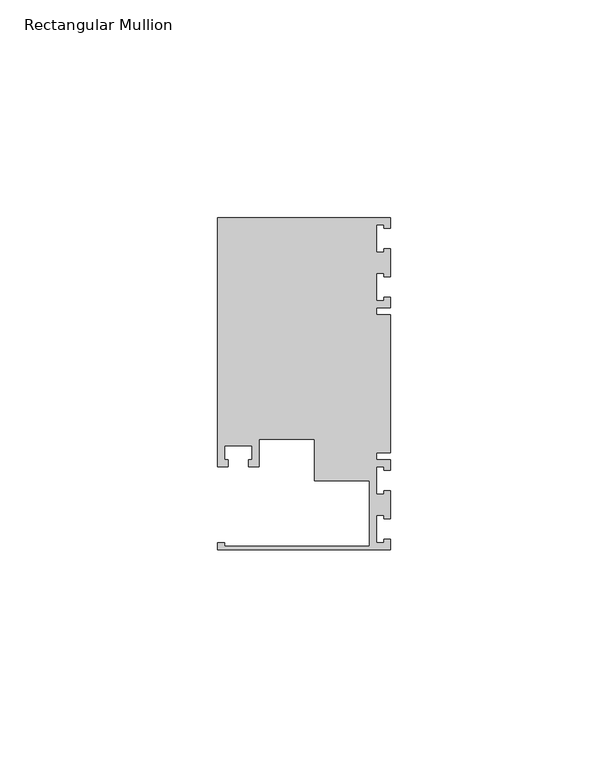
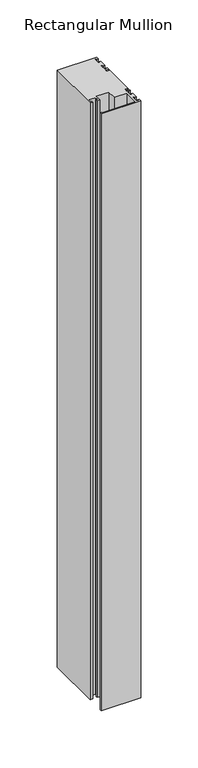
"""IFC4 building model written with IfcOpenShell, lengths in millimetres: member geometry, Rectangular Mullion."""

import ifcopenshell
import ifcopenshell.guid

model = None  # the IFC model being written
_history = None  # IfcOwnerHistory: only IFC2X3 demands one
_inside = {}  # id of a spatial element -> (the spatial element, [elements in it])
_under = {}  # id of a project, library or spatial element -> (it, [spatial elements below it])
_declared = {}  # id of a project -> (the project, [libraries it declares])
_typed = {}  # id of a type object -> (the type object, [elements of that type])
_made_of = {}  # id of a material, layer set ... -> (it, [elements and type objects made of it])


def new_model(schema):
    """Start an empty IFC model of exactly this schema.

    Asked for "IFC4X3", IfcOpenShell would pick the latest addendum, in which some entities
    have other attributes; the version numbers below select the first issue.
    IFC2X3 requires an IfcOwnerHistory on every rooted entity: one is made here for all.
    """
    global model, _history
    if schema == "IFC4X3":
        model = ifcopenshell.file(schema_version=(4, 3, 0, 0))
    else:
        model = ifcopenshell.file(schema=schema)
    _inside.clear()
    _under.clear()
    _declared.clear()
    _typed.clear()
    _made_of.clear()
    _history = None
    if model.schema == "IFC2X3":
        org = make("IfcOrganization", Name="unknown")
        user = make(
            "IfcPersonAndOrganization",
            ThePerson=make("IfcPerson", FamilyName="unknown"),
            TheOrganization=org,
        )
        app = make(
            "IfcApplication",
            ApplicationDeveloper=org,
            Version="unknown",
            ApplicationFullName="unknown",
            ApplicationIdentifier="unknown",
        )
        _history = make(
            "IfcOwnerHistory",
            OwningUser=user,
            OwningApplication=app,
            ChangeAction="ADDED",
            CreationDate=0,
        )
    return model


def make(cls, **values):
    """One entity of the class cls with the attributes given. An attribute that is None is left unset."""
    return model.create_entity(
        cls, **{name: value for name, value in values.items() if value is not None}
    )


def rooted(cls, **values):
    """An entity with a GlobalId (a new one), such as an element, a storey or a relation."""
    return make(cls, GlobalId=ifcopenshell.guid.new(), OwnerHistory=_history, **values)


def si_unit(unit_type, name, prefix=None):
    """IfcSIUnit, for example si_unit("LENGTHUNIT", "METRE", prefix="MILLI")."""
    return make("IfcSIUnit", UnitType=unit_type, Prefix=prefix, Name=name)


def assignment(units):
    """IfcUnitAssignment: the units of a project."""
    return None if units is None else make("IfcUnitAssignment", Units=units)


def point(xyz):
    """IfcCartesianPoint."""
    return None if xyz is None else make("IfcCartesianPoint", Coordinates=xyz)


def direction(xyz):
    """IfcDirection."""
    return None if xyz is None else make("IfcDirection", DirectionRatios=xyz)


def frame(location, z_axis=None, x_axis=None):
    """IfcAxis2Placement3D, a coordinate frame: its origin and axes. An axis left out is left unset."""
    return make(
        "IfcAxis2Placement3D",
        Location=point(location),
        Axis=direction(z_axis),
        RefDirection=direction(x_axis),
    )


def origin():
    """The frame at (0, 0, 0) with its axes left unset."""
    return frame((0.0, 0.0, 0.0))


def place(relative_to, where):
    """IfcLocalPlacement: puts the frame where relative to a parent placement (None: the world)."""
    return make(
        "IfcLocalPlacement", PlacementRelTo=relative_to, RelativePlacement=where
    )


def context(
    kind, dimensions, precision=None, world=None, true_north=None, identifier=None
):
    """IfcGeometricRepresentationContext, for example the 3D "Model" context."""
    return make(
        "IfcGeometricRepresentationContext",
        ContextIdentifier=identifier,
        ContextType=kind,
        CoordinateSpaceDimension=dimensions,
        Precision=precision,
        WorldCoordinateSystem=world,
        TrueNorth=true_north,
    )


def project(units=None, contexts=None):
    """IfcProject with its units and contexts."""
    return rooted(
        "IfcProject",
        Name="project",
        RepresentationContexts=contexts,
        UnitsInContext=assignment(units),
    )


def spatial(cls, under=None, at=None, **own):
    """A site, building, storey or space (cls), placed at a placement, below another one or the project."""
    s = rooted(cls, ObjectPlacement=at, **own)
    if under is not None:
        _under.setdefault(under.id(), (under, []))[1].append(s)
    return s


def polyline(points):
    """IfcPolyline through the points."""
    return make("IfcPolyline", Points=[point(p) for p in points])


def outline(outer, holes=None, kind="AREA"):
    """IfcArbitraryClosedProfileDef: a profile drawn as a closed curve; with holes, ...WithVoids."""
    if holes is None:
        return make("IfcArbitraryClosedProfileDef", ProfileType=kind, OuterCurve=outer)
    return make(
        "IfcArbitraryProfileDefWithVoids",
        ProfileType=kind,
        OuterCurve=outer,
        InnerCurves=holes,
    )


def extrude(swept, where, along, depth):
    """IfcExtrudedAreaSolid: the profile swept, set in the frame where, extruded along a direction by depth."""
    return make(
        "IfcExtrudedAreaSolid",
        SweptArea=swept,
        Position=where,
        ExtrudedDirection=direction(along),
        Depth=depth,
    )


def shape(context_of_items, identifier, shape_type, items):
    """IfcShapeRepresentation: the items that make up one representation, for example the "Body"."""
    return make(
        "IfcShapeRepresentation",
        ContextOfItems=context_of_items,
        RepresentationIdentifier=identifier,
        RepresentationType=shape_type,
        Items=items,
    )


def source(mapping_origin, context_of_items, identifier, shape_type, items):
    """IfcRepresentationMap: a shape defined once, which mapped items show again and again."""
    return make(
        "IfcRepresentationMap",
        MappingOrigin=mapping_origin,
        MappedRepresentation=shape(context_of_items, identifier, shape_type, items),
    )


def transform(
    local_origin,
    x_axis=None,
    y_axis=None,
    z_axis=None,
    scale=None,
    scale2=None,
    scale3=None,
    uniform=True,
):
    """IfcCartesianTransformationOperator3D, or its non-uniform kind. x_axis, y_axis, z_axis: its Axis1, 2, 3."""
    if uniform:
        return make(
            "IfcCartesianTransformationOperator3D",
            Axis1=direction(x_axis),
            Axis2=direction(y_axis),
            LocalOrigin=point(local_origin),
            Scale=scale,
            Axis3=direction(z_axis),
        )
    return make(
        "IfcCartesianTransformationOperator3DnonUniform",
        Axis1=direction(x_axis),
        Axis2=direction(y_axis),
        LocalOrigin=point(local_origin),
        Scale=scale,
        Axis3=direction(z_axis),
        Scale2=scale2,
        Scale3=scale3,
    )


def mapped(mapping_source, mapping_target):
    """IfcMappedItem: shows the shape of a source again, moved by a transform."""
    return make(
        "IfcMappedItem", MappingSource=mapping_source, MappingTarget=mapping_target
    )


def made_of(thing, what):
    """Note that an element or type object is made of a material, layer set ...; save() writes the relation."""
    if what is not None:
        _made_of.setdefault(what.id(), (what, []))[1].append(thing)
    return thing


def element(
    cls,
    number,
    at=None,
    inside=None,
    cuts=None,
    type_object=None,
    material=None,
    context=None,
    identifier="Body",
    shape_type=None,
    held_by="IfcProductDefinitionShape",
    body=None,
    shapes=None,
    **own,
):
    """One element of the class cls, such as IfcWall. Its Tag is "e" and its number.

    at: its placement. inside: the storey or other place that contains it. cuts: it is an
    opening in that element (IfcRelVoidsElement). A single representation is given by context,
    identifier, shape_type and body (its items); several are given by shapes. held_by: the class
    of the entity that holds the representations. save() writes the other relations.
    """
    e = rooted(cls, Tag="e%d" % number, ObjectPlacement=at, **own)
    if body is not None:
        shapes = [shape(context, identifier, shape_type, body)]
    if shapes is not None:
        e.Representation = make(held_by, Representations=shapes)
    if inside is not None:
        _inside.setdefault(inside.id(), (inside, []))[1].append(e)
    if cuts is not None:
        rooted(
            "IfcRelVoidsElement", RelatingBuildingElement=cuts, RelatedOpeningElement=e
        )
    if type_object is not None:
        _typed.setdefault(type_object.id(), (type_object, []))[1].append(e)
    return made_of(e, material)


def aggregate(whole, parts):
    """IfcRelAggregates: a whole, such as a stair, and the parts it consists of."""
    return rooted("IfcRelAggregates", RelatingObject=whole, RelatedObjects=parts)


def save(model, path):
    """Write the relations noted so far, then the file.

    IfcRelAggregates (storeys below a building ...), IfcRelContainedInSpatialStructure (elements
    in a storey), IfcRelDefinesByType, IfcRelAssociatesMaterial and IfcRelDeclares: one each for
    every whole, place, type object, material and project.
    """
    for whole, parts in _under.values():
        aggregate(whole, parts)
    for where, things in _inside.values():
        rooted(
            "IfcRelContainedInSpatialStructure",
            RelatedElements=things,
            RelatingStructure=where,
        )
    for kind, things in _typed.values():
        rooted("IfcRelDefinesByType", RelatedObjects=things, RelatingType=kind)
    for what, things in _made_of.values():
        rooted("IfcRelAssociatesMaterial", RelatedObjects=things, RelatingMaterial=what)
    for by, libraries in _declared.values():
        rooted("IfcRelDeclares", RelatingContext=by, RelatedDefinitions=libraries)
    model.write(path)


def rectangular_mullion_db18d877(model_context):
    return source(origin(), model_context, "Body", "SweptSolid", [
        extrude(outline(polyline([(0.0, -38.1), (-39.6875, -38.1), (-39.6875, -36.5125), (-38.1, -36.5125), (-38.1, -37.30625), (-4.8585733, -37.30625), (-4.8585733, -22.225), (-17.4625, -22.225), (-17.4625, -12.6999969), (-30.1625, -12.6999969), (-30.1625, -19.05), (-32.54375, -19.05), (-32.54375, -17.4625), (-31.75, -17.4625), (-31.75, -14.2875), (-38.1, -14.2875), (-38.1, -17.4625), (-37.30625, -17.4625), (-37.30625, -19.05), (-39.6875, -19.05), (-39.6875, 38.1), (0.0, 38.1), (0.0, 35.71875), (-1.4999946, 35.71875), (-1.4999946, 36.5125), (-3.175, 36.5125), (-3.175, 30.1625), (-1.4999946, 30.1625), (-1.4999946, 30.95625), (0.0, 30.95625), (0.0, 24.60625), (-1.4999946, 24.60625), (-1.4999946, 25.4), (-3.175, 25.4), (-3.175, 19.05), (-1.4999946, 19.05), (-1.4999946, 19.84375), (0.0, 19.84375), (0.0, 17.4625), (-3.175, 17.4625), (-3.175, 15.875), (0.0, 15.875), (0.0, -15.875), (-3.175, -15.875), (-3.175, -17.4625), (0.0, -17.4625), (0.0, -19.84375), (-1.4999946, -19.84375), (-1.4999946, -19.05), (-3.175, -19.05), (-3.175, -25.4), (-1.4999946, -25.4), (-1.4999946, -24.60625), (0.0, -24.60625), (0.0, -30.95625), (-1.4999946, -30.95625), (-1.4999946, -30.1625), (-3.175, -30.1625), (-3.175, -36.5125), (-1.4999946, -36.5125), (-1.4999946, -35.71875), (0.0, -35.71875), (0.0, -38.1)])), frame((0.0, 0.0, -635.0), z_axis=(0.0, 0.0, 1.0), x_axis=(1.0, 0.0, 0.0)), (0.0, 0.0, 1.0), 635.0),
    ])


if __name__ == "__main__":
    model = new_model("IFC4")
    model_context = context("Model", 3, world=origin())
    ifc_project = project(units=[si_unit("LENGTHUNIT", "METRE", prefix="MILLI")], contexts=[model_context])
    site = spatial("IfcSite", under=ifc_project)
    building = spatial("IfcBuilding", under=site)
    placement = place(None, origin())
    rectangular_mullion_shape = rectangular_mullion_db18d877(model_context)
    element("IfcMember", 1, ObjectType="Rectangular Mullion", at=placement, inside=building, context=model_context, shape_type="MappedRepresentation", body=[
        mapped(rectangular_mullion_shape, transform((0.0, 0.0, 0.0), x_axis=(1.0, 0.0, 0.0), y_axis=(0.0, 1.0, 0.0), z_axis=(0.0, 0.0, 1.0))),
    ])
    save(model, "model.ifc")
